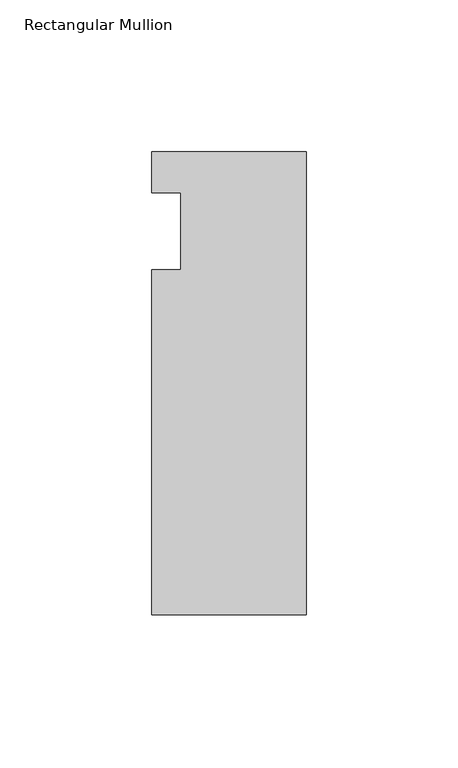
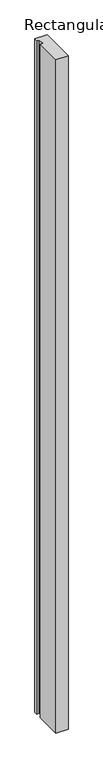
"""IFC4 building model written with IfcOpenShell, lengths in millimetres: member geometry, Rectangular Mullion."""

from ifc_helpers import new_model, si_unit, frame, origin, place, context, project, spatial, polyline, outline, extrude, source, transform, mapped, element, save


def rectangular_mullion_5f8f19b4(model_context):
    return source(origin(), model_context, "Body", "SweptSolid", [
        extrude(outline(polyline([(0.0, 26.19375), (0.0, -126.20625), (-50.8, -126.20625), (-50.8, -12.7), (-41.275, -12.7), (-41.275, 12.7), (-50.8, 12.7), (-50.8, 26.19375), (0.0, 26.19375)])), frame((0.0, 0.0, -2984.5), z_axis=(0.0, 0.0, 1.0), x_axis=(1.0, 0.0, 0.0)), (0.0, 0.0, 1.0), 2984.5),
    ])


if __name__ == "__main__":
    model = new_model("IFC4")
    model_context = context("Model", 3, world=origin())
    ifc_project = project(units=[si_unit("LENGTHUNIT", "METRE", prefix="MILLI")], contexts=[model_context])
    site = spatial("IfcSite", under=ifc_project)
    building = spatial("IfcBuilding", under=site)
    placement = place(None, origin())
    rectangular_mullion_shape = rectangular_mullion_5f8f19b4(model_context)
    element("IfcMember", 1, ObjectType="Rectangular Mullion", at=placement, inside=building, context=model_context, shape_type="MappedRepresentation", body=[
        mapped(rectangular_mullion_shape, transform((0.0, 0.0, 0.0), x_axis=(1.0, 0.0, 0.0), y_axis=(0.0, 1.0, 0.0), z_axis=(0.0, 0.0, 1.0))),
    ])
    save(model, "model.ifc")
